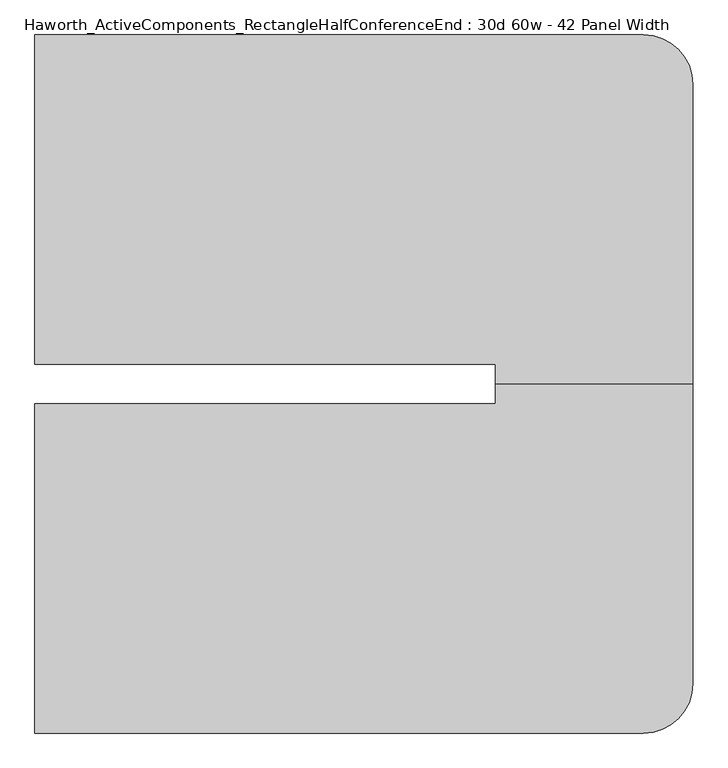
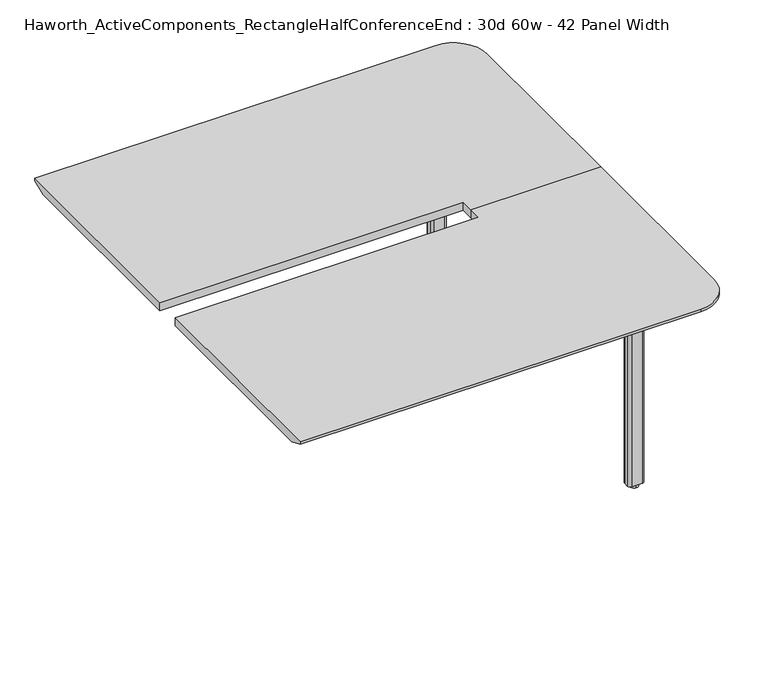
"""IFC4 building model written with IfcOpenShell, lengths in millimetres: furniture geometry, Haworth_ActiveComponents_RectangleHalfConferenceEnd : 30d 60w - 42 Panel Width."""

from ifc_helpers import new_model, si_unit, point, frame, frame_2d, origin, origin_with_axes, place, context, project, spatial, polyline, circle_curve, trimmed, segment, composite_curve, outline, extrude, source, transform, mapped, element, save
from ifc_brep_helpers import plane_surface, cylinder_surface, revolved_surface, advanced_brep


def haworth_activecomponents_rectanglehalfconferenceend_30d_60w_c2846f7f(model_context):
    return source(origin(), model_context, "Body", "SolidModel", [
        extrude(outline(composite_curve([segment(polyline([(900.90625, 830.5340234), (900.90625, 963.8840234)]), True, "CONTINUOUS"), segment(trimmed(circle_curve(frame_2d((910.43125, 963.8840234)), 9.525), [point((900.90625, 963.8840234))], [point((910.43125, 973.4090234))], False, "CARTESIAN"), True, "CONTINUOUS"), segment(polyline([(910.43125, 973.4090234), (1043.78125, 973.4090234)]), True, "CONTINUOUS"), segment(trimmed(circle_curve(frame_2d((1043.78125, 963.8840234)), 9.525), [point((1043.78125, 973.4090234))], [point((1053.30625, 963.8840234))], False, "CARTESIAN"), True, "CONTINUOUS"), segment(polyline([(1053.30625, 963.8840234), (1053.30625, 830.5340234)]), True, "CONTINUOUS"), segment(trimmed(circle_curve(frame_2d((1043.78125, 830.5340234)), 9.525), [point((1053.30625, 830.5340234))], [point((1043.78125, 821.0090234))], False, "CARTESIAN"), True, "CONTINUOUS"), segment(polyline([(1043.78125, 821.0090234), (910.43125, 821.0090234)]), True, "CONTINUOUS"), segment(trimmed(circle_curve(frame_2d((910.43125, 830.5340234)), 9.525), [point((910.43125, 821.0090234))], [point((900.90625, 830.5340234))], False, "CARTESIAN"), True, "CONTINUOUS")], self_intersect=False)), frame((0.0, 0.0, 706.4375), z_axis=(0.0, 0.0, 1.0), x_axis=(1.0, 0.0, 0.0)), (0.0, 0.0, 1.0), 4.7625),
        extrude(outline(composite_curve([segment(trimmed(circle_curve(frame_2d((977.10625, 897.2090234)), 13.6023831), [point((977.10625, 910.8114065))], [point((977.10625, 883.6066404))], False, "CARTESIAN"), True, "CONTINUOUS"), segment(trimmed(circle_curve(frame_2d((977.10625, 897.2090234)), 13.6023831), [point((977.10625, 883.6066404))], [point((977.10625, 910.8114065))], False, "CARTESIAN"), True, "CONTINUOUS")], self_intersect=False)), origin_with_axes(), (0.0, 0.0, 1.0), 12.7),
        extrude(outline(composite_curve([segment(polyline([(949.325, 889.2715234), (949.325, 905.1465234)]), True, "CONTINUOUS"), segment(trimmed(circle_curve(frame_2d((958.85, 905.1465234)), 9.525), [point((949.325, 905.1465234))], [point((958.85, 914.6715234))], False, "CARTESIAN"), True, "CONTINUOUS"), segment(polyline([(958.85, 914.6715234), (995.3625, 914.6715234)]), True, "CONTINUOUS"), segment(trimmed(circle_curve(frame_2d((995.3625, 905.1465234)), 9.525), [point((995.3625, 914.6715234))], [point((1004.8875, 905.1465234))], False, "CARTESIAN"), True, "CONTINUOUS"), segment(polyline([(1004.8875, 905.1465234), (1004.8875, 889.2715234)]), True, "CONTINUOUS"), segment(trimmed(circle_curve(frame_2d((995.3625, 889.2715234)), 9.525), [point((1004.8875, 889.2715234))], [point((995.3625, 879.7465234))], False, "CARTESIAN"), True, "CONTINUOUS"), segment(polyline([(995.3625, 879.7465234), (958.85, 879.7465234)]), True, "CONTINUOUS"), segment(trimmed(circle_curve(frame_2d((958.85, 889.2715234)), 9.525), [point((958.85, 879.7465234))], [point((949.325, 889.2715234))], False, "CARTESIAN"), True, "CONTINUOUS")], self_intersect=False)), frame((0.0, 0.0, 12.7), z_axis=(0.0, 0.0, 1.0), x_axis=(1.0, 0.0, 0.0)), (0.0, 0.0, 1.0), 693.7375),
        advanced_brep(
        [(749.3, 341.5840234, 741.3625), (749.3, 295.5465234, 741.3625), (1206.5, 295.5465234, 741.3625), (1206.5, 989.2840234, 741.3625), (1092.2, 1103.5840234, 741.3625), (-317.5, 1103.5840234, 741.3625), (-317.5, 341.5840234, 741.3625), (749.3, 341.5840234, 711.2), (-317.5, 341.5840234, 711.2), (-317.5, 1052.7840234, 711.2), (1092.2, 1052.7840234, 711.2), (1155.7, 989.2840234, 711.2), (1155.7, 295.5465234, 711.2), (749.3, 295.5465234, 711.2), (-317.5, 1103.5840234, 731.8375), (1092.2, 1103.5840234, 731.8375), (1206.5, 295.5465234, 731.8375), (1206.5, 989.2840234, 731.8375)],
        [
            (0, 1),
            (1, 2),
            (2, 3),
            (3, 4, circle_curve(frame((1092.2, 989.2840234, 741.3625), z_axis=(0.0, 0.0, 1.0), x_axis=(1.0, 0.0, 0.0)), 114.3)),
            (4, 5),
            (5, 6),
            (6, 0),
            (7, 8),
            (8, 9),
            (9, 10),
            (10, 11, circle_curve(frame((1092.2, 989.2840234, 711.2), z_axis=(0.0, 0.0, -1.0), x_axis=(0.0, 1.0, 0.0)), 63.5)),
            (11, 12),
            (12, 13),
            (13, 7),
            (6, 8),
            (7, 0),
            (5, 14),
            (14, 9),
            (4, 15),
            (15, 14),
            (2, 16),
            (16, 17),
            (17, 3),
            (17, 15, circle_curve(frame((1092.2, 989.2840234, 731.8375), z_axis=(0.0, 0.0, 1.0), x_axis=(1.0, 0.0, 0.0)), 114.3)),
            (1, 13),
            (12, 16),
            (15, 10),
            (17, 11),
        ],
        [
            plane_surface(frame((-317.5, 341.5840234, 741.3625), z_axis=(0.0, 0.0, 1.0), x_axis=(-1.0, 0.0, 0.0))),
            plane_surface(frame((-317.5, 341.5840234, 711.2), z_axis=(0.0, 0.0, -1.0), x_axis=(1.0, 0.0, 0.0))),
            plane_surface(frame((749.3, 341.5840234, 741.3625), z_axis=(0.0, -1.0, 0.0), x_axis=(0.0, 0.0, -1.0))),
            plane_surface(frame((-317.5, 341.5840234, 741.3625), z_axis=(-1.0, 0.0, 0.0), x_axis=(0.0, 0.0, -1.0))),
            plane_surface(frame((-317.5, 1103.5840234, 741.3625), z_axis=(0.0, 1.0, 0.0), x_axis=(0.0, 0.0, -1.0))),
            plane_surface(frame((1206.5, 989.2840234, 741.3625), z_axis=(1.0, 0.0, 0.0), x_axis=(0.0, 0.0, -1.0))),
            cylinder_surface(frame((1092.2, 989.2840234, 711.2), z_axis=(0.0, 0.0, 1.0), x_axis=(1.0, 0.0, 0.0)), 114.3),
            plane_surface(frame((1206.5, 295.5465234, 741.3625), z_axis=(0.0, -1.0, 0.0), x_axis=(0.0, 0.0, -1.0))),
            plane_surface(frame((749.3, 295.5465234, 741.3625), z_axis=(-1.0, 0.0, 0.0), x_axis=(0.0, 0.0, -1.0))),
            plane_surface(frame((-317.5, 1103.5840234, 731.8375), z_axis=(0.0, 0.3763770469570871, -0.9264665771218423), x_axis=(1.0, 0.0, 0.0))),
            revolved_surface(polyline([(1092.2, 1052.7840234, 711.2), (1092.2, 1103.5840234, 731.8375)]), (1092.2, 989.2840234, 0.0), (0.0, 0.0, 1.0)),
            plane_surface(frame((1206.5, 989.2840234, 731.8375), z_axis=(0.3763770469570871, 0.0, -0.9264665771218423), x_axis=(0.0, -1.0, 0.0))),
        ],
        [
            (0, [[1, 2, 3, 4, 5, 6, 7]]),
            (1, [[8, 9, 10, 11, 12, 13, 14]]),
            (2, [[15, -8, 16, -7]]),
            (3, [[17, 18, -9, -15, -6]]),
            (4, [[19, 20, -17, -5]]),
            (5, [[21, 22, 23, -3]]),
            (6, [[-23, 24, -19, -4]]),
            (7, [[25, -13, 26, -21, -2]]),
            (8, [[-16, -14, -25, -1]]),
            (9, [[-10, -18, -20, 27]]),
            (10, [[-24, 28, -11, -27]]),
            (11, [[-22, -26, -12, -28]]),
        ],
    ),
        extrude(outline(composite_curve([segment(trimmed(circle_curve(frame_2d((910.43125, -239.4409766)), 9.525), [point((900.90625, -239.4409766))], [point((910.43125, -229.9159766))], False, "CARTESIAN"), True, "CONTINUOUS"), segment(polyline([(910.43125, -229.9159766), (1043.78125, -229.9159766)]), True, "CONTINUOUS"), segment(trimmed(circle_curve(frame_2d((1043.78125, -239.4409766)), 9.525), [point((1043.78125, -229.9159766))], [point((1053.30625, -239.4409766))], False, "CARTESIAN"), True, "CONTINUOUS"), segment(polyline([(1053.30625, -239.4409766), (1053.30625, -372.7909766)]), True, "CONTINUOUS"), segment(trimmed(circle_curve(frame_2d((1043.78125, -372.7909766)), 9.525), [point((1053.30625, -372.7909766))], [point((1043.78125, -382.3159766))], False, "CARTESIAN"), True, "CONTINUOUS"), segment(polyline([(1043.78125, -382.3159766), (910.43125, -382.3159766)]), True, "CONTINUOUS"), segment(trimmed(circle_curve(frame_2d((910.43125, -372.7909766)), 9.525), [point((910.43125, -382.3159766))], [point((900.90625, -372.7909766))], False, "CARTESIAN"), True, "CONTINUOUS"), segment(polyline([(900.90625, -372.7909766), (900.90625, -239.4409766)]), True, "CONTINUOUS")], self_intersect=False)), frame((0.0, 0.0, 706.4375), z_axis=(0.0, 0.0, 1.0), x_axis=(1.0, 0.0, 0.0)), (0.0, 0.0, 1.0), 4.7625),
        extrude(outline(composite_curve([segment(trimmed(circle_curve(frame_2d((977.10625, -306.1159766)), 13.6023831), [point((977.10625, -319.7183596))], [point((977.10625, -292.5135935))], False, "CARTESIAN"), True, "CONTINUOUS"), segment(trimmed(circle_curve(frame_2d((977.10625, -306.1159766)), 13.6023831), [point((977.10625, -292.5135935))], [point((977.10625, -319.7183596))], False, "CARTESIAN"), True, "CONTINUOUS")], self_intersect=False)), origin_with_axes(), (0.0, 0.0, 1.0), 12.7),
        extrude(outline(composite_curve([segment(trimmed(circle_curve(frame_2d((958.85, -298.1784766)), 9.525), [point((949.325, -298.1784766))], [point((958.85, -288.6534766))], False, "CARTESIAN"), True, "CONTINUOUS"), segment(polyline([(958.85, -288.6534766), (995.3625, -288.6534766)]), True, "CONTINUOUS"), segment(trimmed(circle_curve(frame_2d((995.3625, -298.1784766)), 9.525), [point((995.3625, -288.6534766))], [point((1004.8875, -298.1784766))], False, "CARTESIAN"), True, "CONTINUOUS"), segment(polyline([(1004.8875, -298.1784766), (1004.8875, -314.0534766)]), True, "CONTINUOUS"), segment(trimmed(circle_curve(frame_2d((995.3625, -314.0534766)), 9.525), [point((1004.8875, -314.0534766))], [point((995.3625, -323.5784766))], False, "CARTESIAN"), True, "CONTINUOUS"), segment(polyline([(995.3625, -323.5784766), (958.85, -323.5784766)]), True, "CONTINUOUS"), segment(trimmed(circle_curve(frame_2d((958.85, -314.0534766)), 9.525), [point((958.85, -323.5784766))], [point((949.325, -314.0534766))], False, "CARTESIAN"), True, "CONTINUOUS"), segment(polyline([(949.325, -314.0534766), (949.325, -298.1784766)]), True, "CONTINUOUS")], self_intersect=False)), frame((0.0, 0.0, 12.7), z_axis=(0.0, 0.0, 1.0), x_axis=(1.0, 0.0, 0.0)), (0.0, 0.0, 1.0), 693.7375),
        advanced_brep(
        [(749.3, 249.5090234, 741.3625), (-317.5, 249.5090234, 741.3625), (-317.5, -512.4909766, 741.3625), (1092.2, -512.4909766, 741.3625), (1206.5, -398.1909766, 741.3625), (1206.5, 295.5465234, 741.3625), (749.3, 295.5465234, 741.3625), (749.3, 249.5090234, 711.2), (749.3, 295.5465234, 711.2), (1155.7, 295.5465234, 711.2), (1155.7, -398.1909766, 711.2), (1092.2, -461.6909766, 711.2), (-317.5, -461.6909766, 711.2), (-317.5, 249.5090234, 711.2), (-317.5, -512.4909766, 731.8375), (1092.2, -512.4909766, 731.8375), (1206.5, -398.1909766, 731.8375), (1206.5, 295.5465234, 731.8375)],
        [
            (0, 1),
            (1, 2),
            (2, 3),
            (3, 4, circle_curve(frame((1092.2, -398.1909766, 741.3625), z_axis=(0.0, 0.0, 1.0), x_axis=(1.0, 0.0, 0.0)), 114.3)),
            (4, 5),
            (5, 6),
            (6, 0),
            (7, 8),
            (8, 9),
            (9, 10),
            (10, 11, circle_curve(frame((1092.2, -398.1909766, 711.2), z_axis=(0.0, 0.0, -1.0), x_axis=(0.0, -1.0, 0.0)), 63.5)),
            (11, 12),
            (12, 13),
            (13, 7),
            (0, 7),
            (13, 1),
            (12, 14),
            (14, 2),
            (14, 15),
            (15, 3),
            (4, 16),
            (16, 17),
            (17, 5),
            (15, 16, circle_curve(frame((1092.2, -398.1909766, 731.8375), z_axis=(0.0, 0.0, 1.0), x_axis=(1.0, 0.0, 0.0)), 114.3)),
            (17, 9),
            (8, 6),
            (11, 15),
            (10, 16),
        ],
        [
            plane_surface(frame((-317.5, 249.5090234, 741.3625), z_axis=(0.0, 0.0, 1.0), x_axis=(-1.0, 0.0, 0.0))),
            plane_surface(frame((-317.5, 249.5090234, 711.2), z_axis=(0.0, 0.0, -1.0), x_axis=(1.0, 0.0, 0.0))),
            plane_surface(frame((749.3, 249.5090234, 741.3625), z_axis=(0.0, 1.0, 0.0), x_axis=(0.0, 0.0, -1.0))),
            plane_surface(frame((-317.5, 249.5090234, 741.3625), z_axis=(-1.0, 0.0, 0.0), x_axis=(0.0, 0.0, -1.0))),
            plane_surface(frame((-317.5, -512.4909766, 741.3625), z_axis=(0.0, -1.0, 0.0), x_axis=(0.0, 0.0, -1.0))),
            plane_surface(frame((1206.5, -398.1909766, 741.3625), z_axis=(1.0, 0.0, 0.0), x_axis=(0.0, 0.0, -1.0))),
            cylinder_surface(frame((1092.2, -398.1909766, 711.2), z_axis=(0.0, 0.0, 1.0), x_axis=(1.0, 0.0, 0.0)), 114.3),
            plane_surface(frame((1206.5, 295.5465234, 741.3625), z_axis=(0.0, 1.0, 0.0), x_axis=(0.0, 0.0, -1.0))),
            plane_surface(frame((749.3, 295.5465234, 741.3625), z_axis=(-1.0, 0.0, 0.0), x_axis=(0.0, 0.0, -1.0))),
            plane_surface(frame((-317.5, -512.4909766, 731.8375), z_axis=(0.0, -0.3763770469570871, -0.9264665771218423), x_axis=(1.0, 0.0, 0.0))),
            revolved_surface(polyline([(1092.2, -461.6909766, 711.2), (1092.2, -512.4909766, 731.8375)]), (1092.2, -398.1909766, 0.0), (0.0, 0.0, 1.0)),
            plane_surface(frame((1206.5, -398.1909766, 731.8375), z_axis=(0.3763770469570871, 0.0, -0.9264665771218423), x_axis=(0.0, 1.0, 0.0))),
        ],
        [
            (0, [[1, 2, 3, 4, 5, 6, 7]]),
            (1, [[8, 9, 10, 11, 12, 13, 14]]),
            (2, [[-1, 15, -14, 16]]),
            (3, [[-2, -16, -13, 17, 18]]),
            (4, [[-3, -18, 19, 20]]),
            (5, [[-5, 21, 22, 23]]),
            (6, [[-4, -20, 24, -21]]),
            (7, [[-6, -23, 25, -9, 26]]),
            (8, [[-7, -26, -8, -15]]),
            (9, [[27, -19, -17, -12]]),
            (10, [[-27, -11, 28, -24]]),
            (11, [[-28, -10, -25, -22]]),
        ],
    ),
    ])


if __name__ == "__main__":
    model = new_model("IFC4")
    model_context = context("Model", 3, world=origin())
    ifc_project = project(units=[si_unit("LENGTHUNIT", "METRE", prefix="MILLI")], contexts=[model_context])
    site = spatial("IfcSite", under=ifc_project)
    building = spatial("IfcBuilding", under=site)
    placement = place(None, origin())
    haworth_activecomponents_rectanglehalfconferenceend_30d_60w_shape = haworth_activecomponents_rectanglehalfconferenceend_30d_60w_c2846f7f(model_context)
    element("IfcFurniture", 1, ObjectType="Haworth_ActiveComponents_RectangleHalfConferenceEnd : 30d 60w - 42 Panel Width", at=placement, inside=building, context=model_context, shape_type="MappedRepresentation", body=[
        mapped(haworth_activecomponents_rectanglehalfconferenceend_30d_60w_shape, transform((0.0, 0.0, 0.0), x_axis=(1.0, 0.0, 0.0), y_axis=(0.0, 1.0, 0.0), z_axis=(0.0, 0.0, 1.0))),
    ])
    save(model, "model.ifc")
